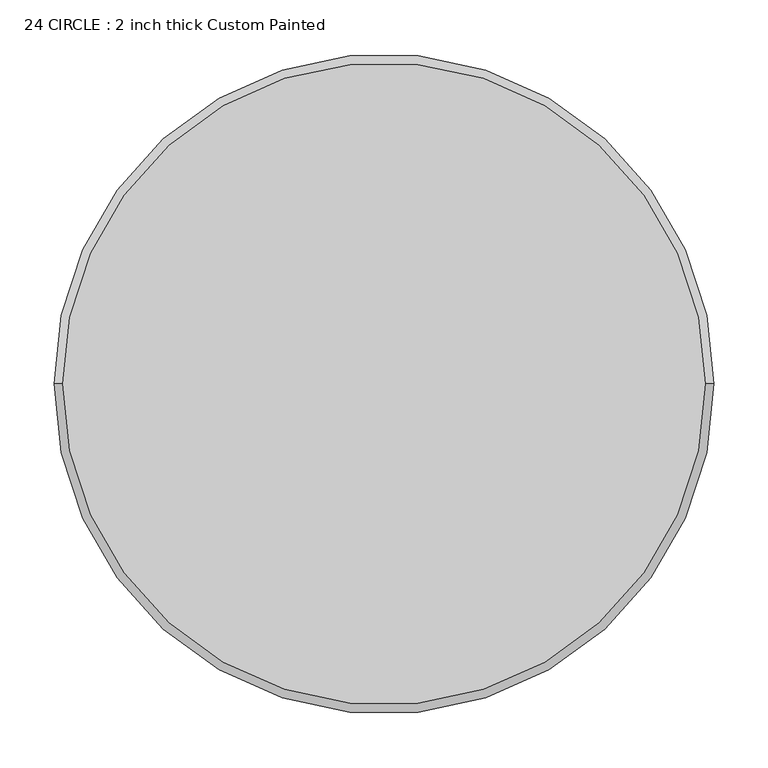
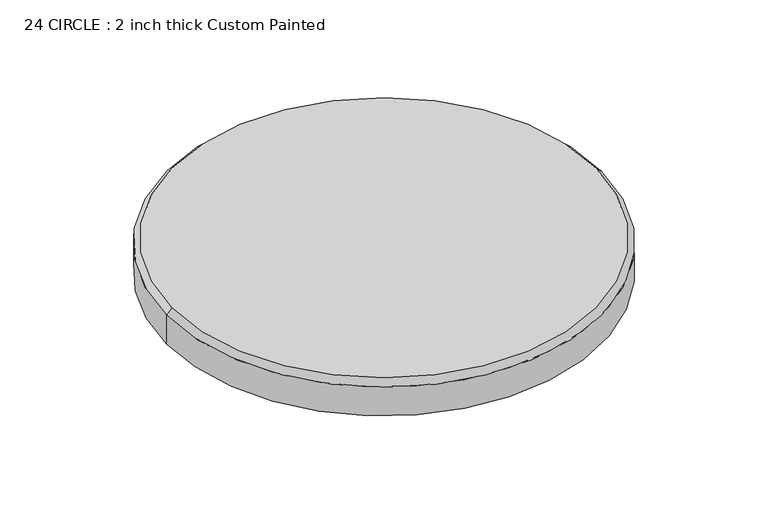
"""IFC4 building model written with IfcOpenShell, lengths in millimetres: proxy geometry, 24 CIRCLE : 2 inch thick Custom Painted."""

from ifc_helpers import new_model, si_unit, frame, origin, origin_with_axes, place, context, project, spatial, polyline, circle_curve, source, transform, mapped, element, save
from ifc_brep_helpers import plane_surface, cylinder_surface, revolved_surface, advanced_brep


def proxy_24_circle_2_inch_thick_custom_painted_2b7ed9a3(model_context):
    return source(origin(), model_context, "Body", "AdvancedBrep", [
        advanced_brep(
        [(-296.799, 0.0, 50.8), (296.799, 0.0, 50.8), (-304.8, 0.0, 0.0), (304.8, 0.0, 0.0), (304.8, 0.0, 42.799), (-304.8, 0.0, 42.799)],
        [
            (0, 1, circle_curve(frame((0.0, 0.0, 50.8), z_axis=(0.0, 0.0, 1.0), x_axis=(-1.0, 0.0, 0.0)), 296.799)),
            (1, 0, circle_curve(frame((0.0, 0.0, 50.8), z_axis=(0.0, 0.0, 1.0), x_axis=(1.0, 0.0, 0.0)), 296.799)),
            (2, 3, circle_curve(frame((0.0, 0.0, 0.0), z_axis=(0.0, 0.0, -1.0), x_axis=(1.0, 0.0, 0.0)), 304.8)),
            (3, 2, circle_curve(frame((0.0, 0.0, 0.0), z_axis=(0.0, 0.0, -1.0), x_axis=(1.0, 0.0, 0.0)), 304.8)),
            (3, 4),
            (4, 5, circle_curve(frame((0.0, 0.0, 42.799), z_axis=(0.0, 0.0, -1.0), x_axis=(1.0, 0.0, 0.0)), 304.8)),
            (5, 2),
            (5, 4, circle_curve(frame((0.0, 0.0, 42.799), z_axis=(0.0, 0.0, -1.0), x_axis=(1.0, 0.0, 0.0)), 304.8)),
            (4, 1),
            (0, 5),
        ],
        [
            plane_surface(frame((304.8, 0.0, 50.8), z_axis=(0.0, 0.0, 1.0), x_axis=(0.0, 1.0, 0.0))),
            plane_surface(frame((304.8, 0.0, 0.0), z_axis=(0.0, 0.0, -1.0), x_axis=(0.0, -1.0, 0.0))),
            cylinder_surface(origin_with_axes(), 304.8),
            revolved_surface(polyline([(-304.8, 0.0, 42.799), (-296.799, 0.0, 50.8)]), (0.0, 0.0, 50.8), (0.0, 0.0, 1.0)),
            revolved_surface(polyline([(304.8, 0.0, 42.799), (296.799, 0.0, 50.8)]), (0.0, 0.0, 50.8), (0.0, 0.0, 1.0)),
        ],
        [
            (0, [[1, 2]]),
            (1, [[3, 4]]),
            (2, [[-4, 5, 6, 7]]),
            (2, [[-3, -7, 8, -5]]),
            (3, [[9, -1, 10, -6]]),
            (4, [[-9, -8, -10, -2]]),
        ],
    ),
    ])


if __name__ == "__main__":
    model = new_model("IFC4")
    model_context = context("Model", 3, world=origin())
    ifc_project = project(units=[si_unit("LENGTHUNIT", "METRE", prefix="MILLI")], contexts=[model_context])
    site = spatial("IfcSite", under=ifc_project)
    building = spatial("IfcBuilding", under=site)
    placement = place(None, origin())
    proxy_24_circle_2_inch_thick_custom_painted_shape = proxy_24_circle_2_inch_thick_custom_painted_2b7ed9a3(model_context)
    element("IfcBuildingElementProxy", 1, Name="24 CIRCLE : 2 inch thick Custom Painted", ObjectType="24 CIRCLE : 2 inch thick Custom Painted", at=placement, inside=building, context=model_context, shape_type="MappedRepresentation", body=[
        mapped(proxy_24_circle_2_inch_thick_custom_painted_shape, transform((0.0, 0.0, 0.0), x_axis=(1.0, 0.0, 0.0), y_axis=(0.0, 1.0, 0.0), z_axis=(0.0, 0.0, 1.0))),
    ])
    save(model, "model.ifc")
